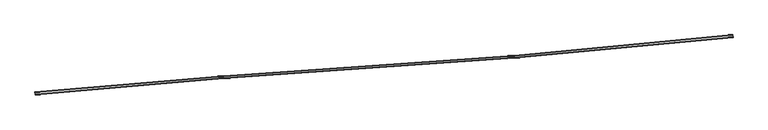
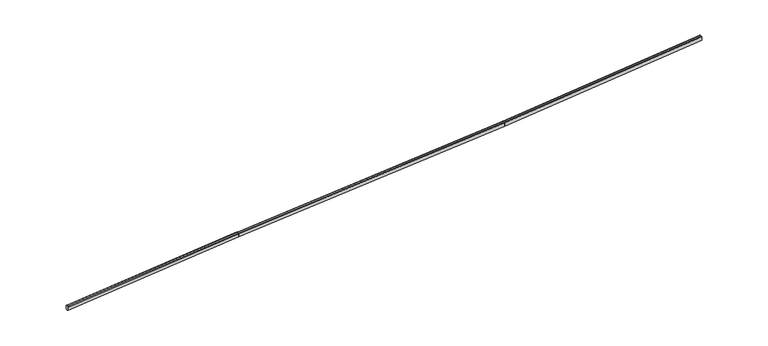
"""IFC4 building model written with IfcOpenShell, lengths in millimetres: railing geometry."""

from ifc_helpers import new_model, si_unit, frame, origin, place, context, project, spatial, ellipse_curve, source, transform, mapped, element, save
from ifc_brep_helpers import plane_surface, cylinder_surface, advanced_brep


def railing_e449f2d4(model_context):
    return source(origin(), model_context, "Body", "AdvancedBrep", [
        advanced_brep(
        [(1628.9393359, -4237.4017013, 12399.9999999), (1603.1368031, -3938.5133789, 12399.9999999), (1596.6861699, -3863.7912983, 12324.9667086), (1596.6861699, -3863.7912983, 11749.7114752), (1612.1676895, -4043.1242917, 11649.6670868), (1619.9084494, -4132.7907885, 11649.6670868), (1635.3899691, -4312.1237819, 11749.7114752), (1635.3899691, -4312.1237819, 12324.9667086), (31569.0500647, -1652.7216357, 13295.49617), (31574.3206371, -1727.545589, 13220.4275836), (31574.3206371, -1727.545589, 12645.1723502), (31561.6712632, -1547.9681011, 12545.2126701), (31555.3465763, -1458.1793571, 12545.2550242), (31542.6972024, -1278.6018692, 12645.3841209), (31542.6972024, -1278.6018692, 13220.6393543), (31547.9677748, -1353.4258225, 13295.6373505)],
        [
            (0, 1),
            (1, 2, ellipse_curve(frame((1603.1368031, -3938.5133789, 12324.9667086), z_axis=(-0.9962944081917979, -0.08600844264230818, 0.0), x_axis=(0.0, 0.0, -1.0)), 75.0332913, 75.0)),
            (2, 3),
            (3, 4),
            (4, 5),
            (5, 6),
            (6, 7),
            (7, 0, ellipse_curve(frame((1628.9393359, -4237.4017013, 12324.9667086), z_axis=(-0.9962944081917979, -0.08600844264230818, 0.0), x_axis=(0.0, 0.0, -1.0)), 75.0332913, 75.0)),
            (8, 9, ellipse_curve(frame((31569.0500647, -1652.7216357, 13220.4628787), z_axis=(0.9975283225218303, 0.07026553754710306, 0.0), x_axis=(0.032900607666233796, -0.4670751711426475, -0.8836053047131729)), 75.0426477, 75.0)),
            (9, 10),
            (10, 11),
            (11, 12),
            (12, 13),
            (13, 14),
            (14, 15, ellipse_curve(frame((31547.9677748, -1353.4258225, 13220.6040592), z_axis=(0.9975283225218303, 0.07026553754710306, 0.0), x_axis=(0.032900607666233796, -0.4670751711426475, -0.8836053047131729)), 75.0426477, 75.0)),
            (15, 8),
            (0, 8),
            (15, 1),
            (14, 2),
            (13, 3),
            (12, 4),
            (11, 5),
            (10, 6),
            (9, 7),
        ],
        [
            plane_surface(frame((1616.7044, -4095.6761013, 12399.9999999), z_axis=(-0.9962944081917979, -0.08600844264230818, 0.0), x_axis=(0.08600844264230818, -0.9962944081917979, 0.0))),
            plane_surface(frame((31559.0533537, -1510.8028135, 13295.5631144), z_axis=(0.9975283225218303, 0.07026553754710306, 0.0), x_axis=(0.07026553754710306, -0.9975283225218303, 0.0))),
            plane_surface(frame((1628.9393359, -4237.4017013, 12399.9999999), z_axis=(-0.02967515407501967, -0.0025618067974457984, 0.9995563127590945), x_axis=(0.9958523650746975, 0.08597028179369764, 0.029785527080170928))),
            cylinder_surface(frame((1605.3624396, -3938.3212434, 12325.0332765), z_axis=(-0.9958523650746977, -0.08597028179369763, -0.02978552708017097), x_axis=(0.08600844264230818, -0.9962944081917979, 0.0)), 75.0),
            plane_surface(frame((1596.6861699, -3863.7912983, 12324.9667086), z_axis=(-0.0860084426423082, 0.9962944081917982, 0.0), x_axis=(0.9958523650746977, 0.08597028179369763, 0.029785527080170904))),
            plane_surface(frame((1596.6861699, -3863.7912983, 11749.7114752), z_axis=(-0.015828640336211314, 0.48608275876312773, -0.8737694236915904), x_axis=(0.9958523650746975, 0.08597028179369764, 0.029785527080170977))),
            plane_surface(frame((1612.1676895, -4043.1242917, 11649.6670868), z_axis=(0.029675154075019698, 0.0025618067974458006, -0.9995563127590944), x_axis=(0.9958523650746975, 0.08597028179369763, 0.02978552708017096))),
            plane_surface(frame((1619.9084494, -4132.7907885, 11649.6670868), z_axis=(0.0677101440456241, -0.4816039146591136, -0.8737694236915927), x_axis=(0.9958523650746975, 0.08597028179369764, 0.02978552708017095))),
            plane_surface(frame((1635.3899691, -4312.1237819, 11749.7114752), z_axis=(0.0860084426423082, -0.996294408191798, 0.0), x_axis=(0.9958523650746975, 0.08597028179369763, 0.029785527080170935))),
            cylinder_surface(frame((1631.1649724, -4237.2095658, 12325.0332765), z_axis=(-0.9958523650746977, -0.08597028179369763, -0.02978552708017097), x_axis=(0.08600844264230818, -0.9962944081917979, 0.0)), 75.0),
        ],
        [
            (0, [[1, 2, 3, 4, 5, 6, 7, 8]]),
            (1, [[9, 10, 11, 12, 13, 14, 15, 16]]),
            (2, [[-1, 17, -16, 18]]),
            (3, [[-2, -18, -15, 19]]),
            (4, [[-3, -19, -14, 20]]),
            (5, [[-4, -20, -13, 21]]),
            (6, [[-5, -21, -12, 22]]),
            (7, [[-6, -22, -11, 23]]),
            (8, [[-7, -23, -10, 24]]),
            (9, [[-8, -24, -9, -17]]),
        ],
    ),
        advanced_brep(
        [(31569.0488183, -1652.7039412, 13295.5631144), (31547.969157, -1353.4454444, 13295.5631144), (31542.6992417, -1278.6308202, 13220.5301358), (31542.6992417, -1278.6308202, 12645.2772999), (31555.3470384, -1458.1859183, 12545.2333285), (31561.6709368, -1547.9634673, 12545.2333285), (31574.3187336, -1727.5185654, 12645.2772999), (31574.3187336, -1727.5185654, 13220.5301358), (77820.5235085, 1605.2333605, 14670.7081738), (77827.5741374, 1530.5441692, 14595.7281392), (77827.5741374, 1530.5441692, 14020.4753033), (77810.652628, 1709.7982284, 13920.3042662), (77802.1918733, 1799.4252581, 13920.2407334), (77785.2703639, 1978.6793173, 14020.1576392), (77785.2703639, 1978.6793173, 14595.410475), (77792.3209929, 1903.990126, 14670.4963977)],
        [
            (0, 1),
            (1, 2, ellipse_curve(frame((31547.969157, -1353.4454444, 13220.5301358), z_axis=(-0.9975283225218303, -0.07026553754710306, 0.0), x_axis=(0.0, 0.0, -1.0)), 75.0329786, 75.0)),
            (2, 3),
            (3, 4),
            (4, 5),
            (5, 6),
            (6, 7),
            (7, 0, ellipse_curve(frame((31569.0488183, -1652.7039412, 13220.5301358), z_axis=(-0.9975283225218303, -0.07026553754710306, 0.0), x_axis=(0.0, 0.0, -1.0)), 75.0329786, 75.0)),
            (8, 9, ellipse_curve(frame((77820.5235085, 1605.2333605, 14595.6751952), z_axis=(0.9955739185395555, 0.09398176803930945, 0.0), x_axis=(-0.05881266352654851, 0.6230182205380996, -0.7799931842564093)), 75.0542294, 75.0)),
            (9, 10),
            (10, 11),
            (11, 12),
            (12, 13),
            (13, 14),
            (14, 15, ellipse_curve(frame((77792.3209929, 1903.990126, 14595.4634191), z_axis=(0.9955739185395555, 0.09398176803930945, 0.0), x_axis=(-0.05881266352654851, 0.6230182205380996, -0.7799931842564093)), 75.0542294, 75.0)),
            (15, 8),
            (0, 8),
            (15, 1),
            (14, 2),
            (13, 3),
            (12, 4),
            (11, 5),
            (10, 6),
            (9, 7),
        ],
        [
            plane_surface(frame((31559.0533537, -1510.8028135, 13295.5631144), z_axis=(-0.9975283225218303, -0.07026553754710306, 0.0), x_axis=(0.07026553754710306, -0.9975283225218303, 0.0))),
            plane_surface(frame((77807.150559, 1746.8965794, 14670.6077547), z_axis=(0.9955739185395555, 0.09398176803930945, 0.0), x_axis=(0.09398176803930945, -0.9955739185395555, 0.0))),
            plane_surface(frame((31569.0488183, -1652.7039412, 13295.5631144), z_axis=(-0.029572121061367956, -0.0020830496095909632, 0.9995604786906372), x_axis=(0.997089887567389, 0.07023465434603725, 0.029645394916314054))),
            cylinder_surface(frame((31550.1870661, -1353.2892157, 13220.5960785), z_axis=(-0.9970898875673891, -0.07023465434603728, -0.029645394916314075), x_axis=(0.07026553754710306, -0.9975283225218303, 0.0)), 75.0),
            plane_surface(frame((31542.6992417, -1278.6308202, 13220.5301358), z_axis=(-0.07026553754710305, 0.9975283225218303, 0.0), x_axis=(0.997089887567389, 0.07023465434603726, 0.0296453949163141))),
            plane_surface(frame((31542.6992417, -1278.6308202, 12645.2772999), z_axis=(-0.008273276819073597, 0.4862634914559292, -0.8737730653709604), x_axis=(0.997089887567389, 0.07023465434603728, 0.0296453949163141))),
            plane_surface(frame((31555.3470384, -1458.1859183, 12545.2333285), z_axis=(0.029572121061367952, 0.0020830496095909632, -0.9995604786906372), x_axis=(0.997089887567389, 0.07023465434603728, 0.02964539491631405))),
            plane_surface(frame((31561.6709368, -1547.9634673, 12545.2333285), z_axis=(0.05997464641135769, -0.4826216655104329, -0.8737730653709627), x_axis=(0.997089887567389, 0.07023465434603728, 0.029645394916314054))),
            plane_surface(frame((31574.3187336, -1727.5185654, 12645.2772999), z_axis=(0.07026553754710306, -0.9975283225218303, 0.0), x_axis=(0.997089887567389, 0.07023465434603728, 0.029645394916314103))),
            cylinder_surface(frame((31571.2667273, -1652.5477125, 13220.5960785), z_axis=(-0.9970898875673891, -0.07023465434603728, -0.029645394916314075), x_axis=(0.07026553754710306, -0.9975283225218303, 0.0)), 75.0),
        ],
        [
            (0, [[1, 2, 3, 4, 5, 6, 7, 8]]),
            (1, [[9, 10, 11, 12, 13, 14, 15, 16]]),
            (2, [[-1, 17, -16, 18]]),
            (3, [[-2, -18, -15, 19]]),
            (4, [[-3, -19, -14, 20]]),
            (5, [[-4, -20, -13, 21]]),
            (6, [[-5, -21, -12, 22]]),
            (7, [[-6, -22, -11, 23]]),
            (8, [[-7, -23, -10, 24]]),
            (9, [[-8, -24, -9, -17]]),
        ],
    ),
        advanced_brep(
        [(77820.5197221, 1605.273471, 14670.6077547), (77792.3251917, 1903.9456466, 14670.6077547), (77785.2765591, 1978.6136905, 14595.5751356), (77785.2765591, 1978.6136905, 14020.3250564), (77802.1932773, 1799.4103851, 13920.2815643), (77810.6516365, 1709.8087325, 13920.2815643), (77827.5683547, 1530.6054271, 14020.3250564), (77827.5683547, 1530.6054271, 14595.5751356), (112565.1153277, 4885.1489921, 15699.9999999), (112572.1639603, 4810.4809482, 15624.9673809), (112572.1639603, 4810.4809482, 15049.7173016), (112555.2472421, 4989.6842535, 14949.6738096), (112546.7888829, 5079.2859062, 14949.6738096), (112529.8721647, 5258.4892115, 15049.7173016), (112529.8721647, 5258.4892115, 15624.9673809), (112536.9207973, 5183.8211676, 15699.9999999)],
        [
            (0, 1),
            (1, 2, ellipse_curve(frame((77792.3251917, 1903.9456466, 14595.5751356), z_axis=(-0.9955739185395555, -0.09398176803930945, 0.0), x_axis=(0.0, 0.0, -1.0)), 75.032619, 75.0)),
            (2, 3),
            (3, 4),
            (4, 5),
            (5, 6),
            (6, 7),
            (7, 0, ellipse_curve(frame((77820.5197221, 1605.273471, 14595.5751356), z_axis=(-0.9955739185395555, -0.09398176803930945, 0.0), x_axis=(0.0, 0.0, -1.0)), 75.032619, 75.0)),
            (8, 9, ellipse_curve(frame((112565.1153277, 4885.1489921, 15624.9673809), z_axis=(0.9955739185395555, 0.09398176803930945, 0.0), x_axis=(0.0, 0.0, -1.0)), 75.032619, 75.0)),
            (9, 10),
            (10, 11),
            (11, 12),
            (12, 13),
            (13, 14),
            (14, 15, ellipse_curve(frame((112536.9207973, 5183.8211676, 15624.9673809), z_axis=(0.9955739185395555, 0.09398176803930945, 0.0), x_axis=(0.0, 0.0, -1.0)), 75.032619, 75.0)),
            (15, 8),
            (0, 8),
            (15, 1),
            (14, 2),
            (13, 3),
            (12, 4),
            (11, 5),
            (10, 6),
            (9, 7),
        ],
        [
            plane_surface(frame((77807.150559, 1746.8965794, 14670.6077547), z_axis=(-0.9955739185395555, -0.09398176803930945, 0.0), x_axis=(0.09398176803930945, -0.9955739185395555, 0.0))),
            plane_surface(frame((112551.7461646, 5026.7721005, 15699.9999999), z_axis=(0.9955739185395555, 0.09398176803930945, 0.0), x_axis=(0.09398176803930945, -0.9955739185395555, 0.0))),
            plane_surface(frame((77820.5197221, 1605.273471, 14670.6077547), z_axis=(-0.029352953722476163, -0.0027709067469958385, 0.9995652685960861), x_axis=(0.9951411112922487, 0.09394091121334741, 0.029483449873350547))),
            cylinder_surface(frame((77794.5266632, 1904.1534646, 14595.6403595), z_axis=(-0.9951411112922487, -0.09394091121334741, -0.029483449873350547), x_axis=(0.09398176803930945, -0.9955739185395555, 0.0)), 75.0),
            plane_surface(frame((77785.2765591, 1978.6136905, 14595.5751356), z_axis=(-0.09398176803930948, 0.9955739185395556, 0.0), x_axis=(0.9951411112922487, 0.09394091121334743, 0.029483449873350547))),
            plane_surface(frame((77785.2765591, 1978.6136905, 14020.3250564), z_axis=(-0.019982483235796746, 0.48591564429886486, -0.8737772525016604), x_axis=(0.9951411112922487, 0.09394091121334743, 0.029483449873350547))),
            plane_surface(frame((77802.1932773, 1799.4103851, 13920.2815643), z_axis=(0.0293529537224761, 0.002770906746995833, -0.9995652685960861), x_axis=(0.9951411112922487, 0.09394091121334741, 0.029483449873350484))),
            plane_surface(frame((77810.6516365, 1709.8087325, 13920.2815643), z_axis=(0.07130067938011972, -0.4810712277101792, -0.8737772525016627), x_axis=(0.9951411112922487, 0.0939409112133474, 0.029483449873350484))),
            plane_surface(frame((77827.5683547, 1530.6054271, 14020.3250564), z_axis=(0.09398176803930948, -0.9955739185395556, 0.0), x_axis=(0.9951411112922487, 0.09394091121334743, 0.029483449873350547))),
            cylinder_surface(frame((77822.7211936, 1605.481289, 14595.6403595), z_axis=(-0.9951411112922487, -0.09394091121334741, -0.029483449873350547), x_axis=(0.09398176803930945, -0.9955739185395555, 0.0)), 75.0),
        ],
        [
            (0, [[1, 2, 3, 4, 5, 6, 7, 8]]),
            (1, [[9, 10, 11, 12, 13, 14, 15, 16]]),
            (2, [[-1, 17, -16, 18]]),
            (3, [[-2, -18, -15, 19]]),
            (4, [[-3, -19, -14, 20]]),
            (5, [[-4, -20, -13, 21]]),
            (6, [[-5, -21, -12, 22]]),
            (7, [[-6, -22, -11, 23]]),
            (8, [[-7, -23, -10, 24]]),
            (9, [[-8, -24, -9, -17]]),
        ],
    ),
    ])


if __name__ == "__main__":
    model = new_model("IFC4")
    model_context = context("Model", 3, world=origin())
    ifc_project = project(units=[si_unit("LENGTHUNIT", "METRE", prefix="MILLI")], contexts=[model_context])
    site = spatial("IfcSite", under=ifc_project)
    building = spatial("IfcBuilding", under=site)
    placement = place(None, origin())
    railing_shape = railing_e449f2d4(model_context)
    element("IfcRailing", 1, at=placement, inside=building, context=model_context, shape_type="MappedRepresentation", body=[
        mapped(railing_shape, transform((0.0, 0.0, 0.0), x_axis=(1.0, 0.0, 0.0), y_axis=(0.0, 1.0, 0.0), z_axis=(0.0, 0.0, 1.0))),
    ])
    save(model, "model.ifc")
